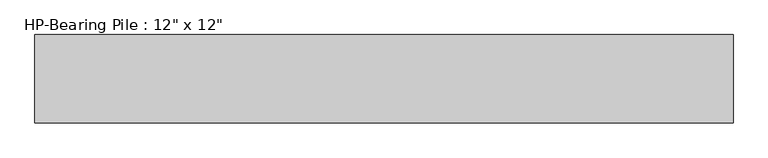
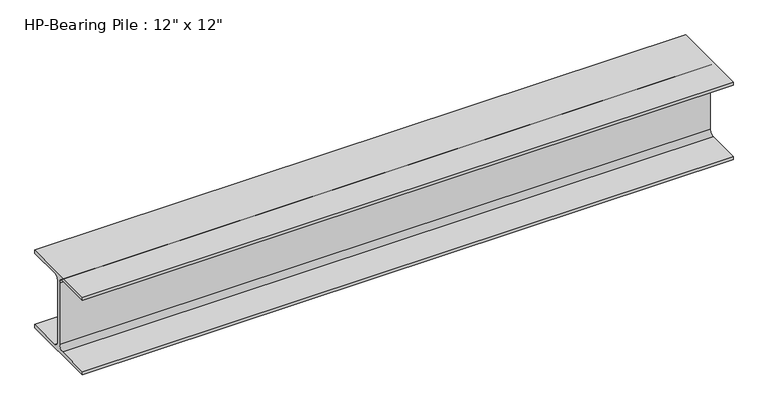
"""IFC4 building model written with IfcOpenShell, lengths in millimetres: beam geometry."""

from ifc_helpers import new_model, si_unit, point, frame, frame_2d, origin, place, context, project, spatial, polyline, circle_curve, trimmed, segment, composite_curve, outline, extrude, source, transform, mapped, element, save


def beam_fc73f1ba(model_context):
    return source(origin(), model_context, "Body", "SweptSolid", [
        extrude(outline(composite_curve([segment(polyline([(152.4, -139.7), (152.4, -152.4), (-152.4, -152.4), (-152.4, -139.7), (-25.4, -139.7)]), True, "CONTINUOUS"), segment(trimmed(circle_curve(frame_2d((-25.4, -120.65)), 19.05), [point((-25.4, -139.7))], [point((-6.35, -120.65))], True, "CARTESIAN"), True, "CONTINUOUS"), segment(polyline([(-6.35, -120.65), (-6.35, 120.65)]), True, "CONTINUOUS"), segment(trimmed(circle_curve(frame_2d((-25.4, 120.65)), 19.05), [point((-6.35, 120.65))], [point((-25.4, 139.7))], True, "CARTESIAN"), True, "CONTINUOUS"), segment(polyline([(-25.4, 139.7), (-152.4, 139.7), (-152.4, 152.4), (152.4, 152.4), (152.4, 139.7), (25.4, 139.7)]), True, "CONTINUOUS"), segment(trimmed(circle_curve(frame_2d((25.4, 120.65)), 19.05), [point((25.4, 139.7))], [point((6.35, 120.65))], True, "CARTESIAN"), True, "CONTINUOUS"), segment(polyline([(6.35, 120.65), (6.35, -120.65)]), True, "CONTINUOUS"), segment(trimmed(circle_curve(frame_2d((25.4, -120.65)), 19.05), [point((6.35, -120.65))], [point((25.4, -139.7))], True, "CARTESIAN"), True, "CONTINUOUS"), segment(polyline([(25.4, -139.7), (152.4, -139.7)]), True, "CONTINUOUS")], self_intersect=False)), frame((-1206.5, 0.0, 0.0), z_axis=(1.0, 0.0, 0.0), x_axis=(0.0, 1.0, 0.0)), (0.0, 0.0, 1.0), 2413.0),
    ])


if __name__ == "__main__":
    model = new_model("IFC4")
    model_context = context("Model", 3, world=origin())
    ifc_project = project(units=[si_unit("LENGTHUNIT", "METRE", prefix="MILLI")], contexts=[model_context])
    site = spatial("IfcSite", under=ifc_project)
    building = spatial("IfcBuilding", under=site)
    placement = place(None, origin())
    beam_shape = beam_fc73f1ba(model_context)
    element("IfcBeam", 1, ObjectType="HP-Bearing Pile : 12\" x 12\"", at=placement, inside=building, context=model_context, shape_type="MappedRepresentation", body=[
        mapped(beam_shape, transform((0.0, 0.0, 0.0), x_axis=(1.0, 0.0, 0.0), y_axis=(0.0, 1.0, 0.0), z_axis=(0.0, 0.0, 1.0))),
    ])
    save(model, "model.ifc")
